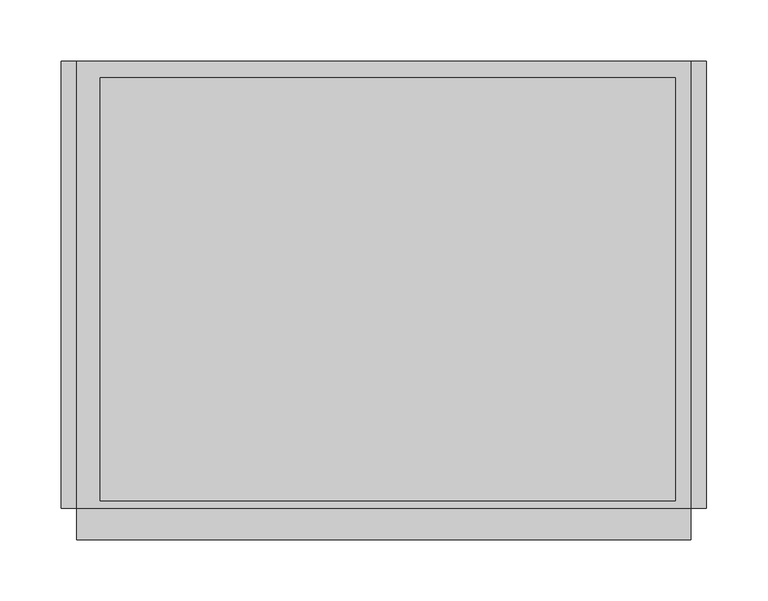
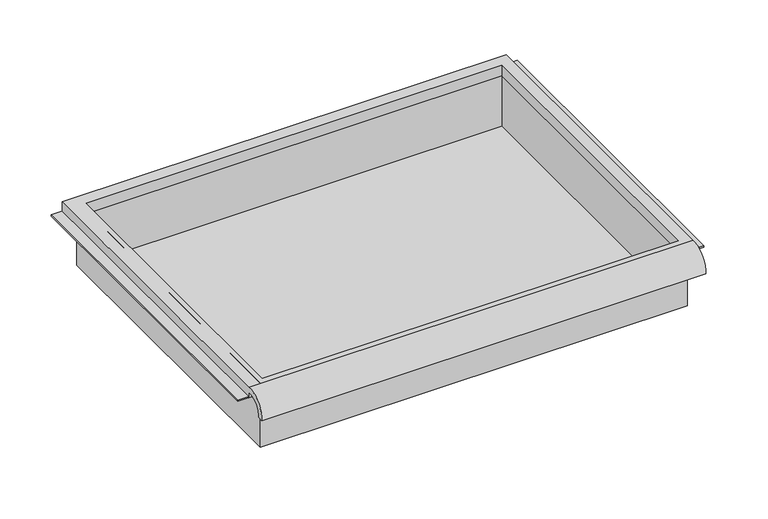
"""IFC4 building model written with IfcOpenShell, lengths in millimetres: furniture geometry."""

from ifc_helpers import new_model, si_unit, frame, origin, place, context, project, spatial, polyline, circle_curve, faceted_brep, source, transform, mapped, element, save
from ifc_brep_helpers import plane_surface, cylinder_surface, revolved_surface, advanced_brep


def furniture_37a0b109(model_context):
    return source(origin(), model_context, "Body", "SolidModel", [
        advanced_brep(
        [(263.7474999, -195.297482, 816.3035444), (263.7474999, -188.9125, 816.3035444), (263.7474999, -169.8625, 834.5650176), (263.7474999, -169.8625, 828.2150172), (263.7474999, 195.2625, 828.2150172), (263.7474999, 195.2625, 840.9150176), (263.7474999, -169.8625, 840.9150176), (-237.9025001, -195.297482, 816.3035444), (-237.9025001, -169.8625, 840.9150176), (-237.9025001, 195.2625, 840.9150176), (-237.9025001, 195.2625, 828.2150172), (-237.9025001, -169.8625, 828.2150172), (-237.9025001, -169.8625, 834.5650176), (-237.9025001, -188.9125, 816.3035444), (251.0474878, 181.9275, 828.2150172), (-218.8095642, 181.9275, 828.2150172), (-218.8095642, -163.5125, 828.2150172), (251.0474878, -163.5125, 828.2150172), (-218.8095642, 181.9275, 840.9150176), (251.0474878, 181.9275, 840.9150176), (251.0474878, -163.5125, 840.9150176), (-218.8095642, -163.5125, 840.9150176)],
        [
            (0, 1),
            (1, 2, circle_curve(frame((263.7474999, -172.3404634, 818.0829547), z_axis=(-1.0, 0.0, 0.0), x_axis=(0.0, 1.0, 0.0)), 16.6672942)),
            (2, 3),
            (3, 4),
            (4, 5),
            (5, 6),
            (6, 0, circle_curve(frame((263.7474999, -172.4601678, 818.1508447), z_axis=(1.0, 0.0, 0.0), x_axis=(0.0, 1.0, 0.0)), 22.9119061)),
            (7, 8, circle_curve(frame((-237.9025001, -172.4601678, 818.1508447), z_axis=(-1.0, 0.0, 0.0), x_axis=(0.0, 1.0, 0.0)), 22.9119061)),
            (8, 9),
            (9, 10),
            (10, 11),
            (11, 12),
            (12, 13, circle_curve(frame((-237.9025001, -172.3404634, 818.0829547), z_axis=(1.0, 0.0, 0.0), x_axis=(0.0, 1.0, 0.0)), 16.6672942)),
            (13, 7),
            (0, 7),
            (13, 1),
            (12, 2),
            (11, 3),
            (10, 4),
            (14, 15),
            (15, 16),
            (16, 17),
            (17, 14),
            (9, 5),
            (8, 6),
            (18, 19),
            (19, 20),
            (20, 21),
            (21, 18),
            (14, 19),
            (18, 15),
            (21, 16),
            (20, 17),
        ],
        [
            plane_surface(frame((263.7474999, -195.297482, 816.3035444), z_axis=(1.0, 0.0, 0.0), x_axis=(0.0, 1.0, 0.0))),
            plane_surface(frame((-237.9025001, -195.297482, 816.3035444), z_axis=(-1.0, 0.0, 0.0), x_axis=(0.0, -1.0, 0.0))),
            plane_surface(frame((263.7474999, -195.297482, 816.3035444), z_axis=(0.0, 0.0, -1.0), x_axis=(-1.0, 0.0, 0.0))),
            revolved_surface(polyline([(-237.9025001, -155.67316920000002, 818.0829547), (263.7474999, -155.67316920000002, 818.0829547)]), (-237.9025001, -172.3404634, 818.0829547), (-1.0, 0.0, 0.0)),
            plane_surface(frame((263.7474999, -169.8625, 834.5650176), z_axis=(0.0, -1.0, 0.0), x_axis=(-1.0, 0.0, 0.0))),
            plane_surface(frame((263.7474999, -169.8625, 828.2150172), z_axis=(0.0, 0.0, -1.0), x_axis=(-1.0, 0.0, 0.0))),
            plane_surface(frame((263.7474999, 195.2625, 828.2150172), z_axis=(0.0, 1.0, 0.0), x_axis=(-1.0, 0.0, 0.0))),
            plane_surface(frame((263.7474999, 195.2625, 840.9150176), z_axis=(0.0, 0.0, 1.0), x_axis=(-1.0, 0.0, 0.0))),
            cylinder_surface(frame((-237.9025001, -172.4601678, 818.1508447), z_axis=(1.0, 0.0, 0.0), x_axis=(0.0, 1.0, 0.0)), 22.9119061),
            plane_surface(frame((251.0474878, 181.9275, 840.9150176), z_axis=(0.0, -1.0, 0.0), x_axis=(0.0, 0.0, -1.0))),
            plane_surface(frame((-218.8095642, 181.9275, 840.9150176), z_axis=(1.0, 0.0, 0.0), x_axis=(0.0, 0.0, -1.0))),
            plane_surface(frame((-218.8095642, -163.5125, 840.9150176), z_axis=(0.0, 1.0, 0.0), x_axis=(0.0, 0.0, -1.0))),
            plane_surface(frame((251.0474878, -163.5125, 840.9150176), z_axis=(-1.0, 0.0, 0.0), x_axis=(0.0, 0.0, -1.0))),
        ],
        [
            (0, [[1, 2, 3, 4, 5, 6, 7]]),
            (1, [[8, 9, 10, 11, 12, 13, 14]]),
            (2, [[-1, 15, -14, 16]]),
            (3, [[-2, -16, -13, 17]]),
            (4, [[-3, -17, -12, 18]]),
            (5, [[-4, -18, -11, 19], [20, 21, 22, 23]]),
            (6, [[-5, -19, -10, 24]]),
            (7, [[-6, -24, -9, 25], [26, 27, 28, 29]]),
            (8, [[-7, -25, -8, -15]]),
            (9, [[30, -26, 31, -20]]),
            (10, [[-31, -29, 32, -21]]),
            (11, [[-32, -28, 33, -22]]),
            (12, [[-30, -23, -33, -27]]),
        ],
    ),
        faceted_brep([(-225.2025001, -169.8625, 764.7150176), (257.3974878, -169.8625, 764.7150176), (257.3974878, -169.8625, 840.9150176), (-225.2025001, -169.8625, 840.9150176), (-225.2025001, 188.9125, 764.7150176), (-225.2025001, 188.9125, 840.9150176), (257.3974878, 188.9125, 840.9150176), (257.3974878, 188.9125, 764.7150176), (-218.8095642, 181.9275, 840.9150176), (251.0474878, 181.9275, 840.9150176), (251.0474878, -163.5125, 840.9150176), (-218.8095642, -163.5125, 840.9150176), (251.0474878, 181.9275, 767.8900176), (-218.8095642, 181.9275, 767.8900176), (-218.8095642, -163.5125, 767.8900176), (251.0474878, -163.5125, 767.8900176)], [[[0, 1, 2, 3]], [[4, 5, 6, 7]], [[1, 0, 4, 7]], [[2, 1, 7, 6]], [[3, 2, 6, 5], [8, 9, 10, 11]], [[0, 3, 5, 4]], [[12, 13, 14, 15]], [[13, 12, 9, 8]], [[14, 13, 8, 11]], [[15, 14, 11, 10]], [[12, 15, 10, 9]]]),
        faceted_brep([(-250.6025001, 195.2625, 828.2150172), (-250.6025001, 195.2625, 829.8025172), (-231.5525001, 195.2625, 829.8025172), (-231.5525001, 195.2625, 828.2150172), (-250.6025001, -169.8625, 828.2150172), (-231.5525001, -169.8625, 828.2150172), (-231.5525001, -169.8625, 829.8025172), (-250.6025001, -169.8625, 829.8025172)], [[[0, 1, 2, 3]], [[4, 5, 6, 7]], [[1, 0, 4, 7]], [[2, 1, 7, 6]], [[3, 2, 6, 5]], [[0, 3, 5, 4]]]),
        faceted_brep([(276.4474999, 195.2625, 828.2150172), (263.7474999, 195.2625, 828.2150172), (263.7474999, 195.2625, 829.8025172), (276.4474999, 195.2625, 829.8025172), (276.4474999, -169.8625, 828.2150172), (276.4474999, -169.8625, 829.8025172), (263.7474999, -169.8625, 829.8025172), (263.7474999, -169.8625, 828.2150172)], [[[0, 1, 2, 3]], [[4, 5, 6, 7]], [[1, 0, 4, 7]], [[2, 1, 7, 6]], [[3, 2, 6, 5]], [[0, 3, 5, 4]]]),
    ])


if __name__ == "__main__":
    model = new_model("IFC4")
    model_context = context("Model", 3, world=origin())
    ifc_project = project(units=[si_unit("LENGTHUNIT", "METRE", prefix="MILLI")], contexts=[model_context])
    site = spatial("IfcSite", under=ifc_project)
    building = spatial("IfcBuilding", under=site)
    placement = place(None, origin())
    furniture_shape = furniture_37a0b109(model_context)
    element("IfcFurniture", 1, at=placement, inside=building, context=model_context, shape_type="MappedRepresentation", body=[
        mapped(furniture_shape, transform((0.0, 0.0, 0.0), x_axis=(1.0, 0.0, 0.0), y_axis=(0.0, 1.0, 0.0), z_axis=(0.0, 0.0, 1.0))),
    ])
    save(model, "model.ifc")
